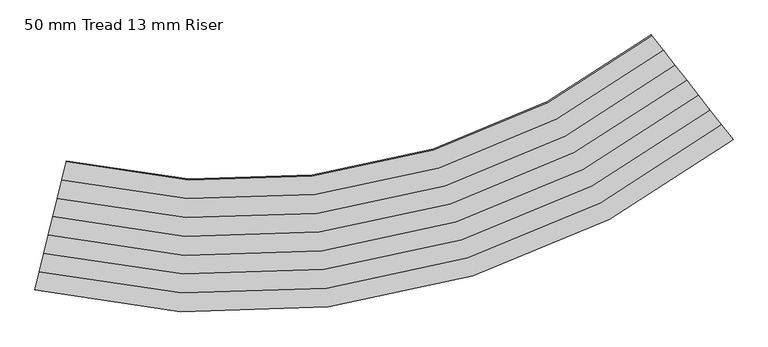
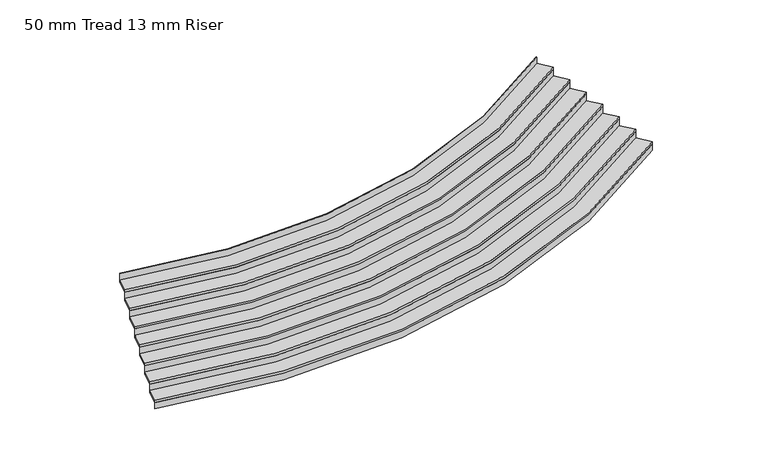
"""IFC4 building model written with IfcOpenShell, lengths in millimetres: stair flight geometry, 50 mm Tread 13 mm Riser."""

from ifc_helpers import new_model, si_unit, point, frame, frame_2d, origin, origin_with_axes, place, context, project, spatial, polyline, circle_curve, trimmed, segment, composite_curve, outline, extrude, source, transform, mapped, element, save


def stair_flight_50_mm_tread_13_mm_riser_30654782(model_context):
    return source(origin(), model_context, "Body", "SweptSolid", [
        extrude(outline(composite_curve([segment(trimmed(circle_curve(frame_2d((1244.5288083, -101961.3030117)), 12991.033039), [point((-1824.2732576, -114584.6699675))], [point((9243.9544955, -112197.3241184))], True, "CARTESIAN"), True, "CONTINUOUS"), segment(polyline([(9243.9544955, -112197.3241184), (9251.6515601, -112207.17324)]), True, "CONTINUOUS"), segment(trimmed(circle_curve(frame_2d((1244.5288083, -101961.3030117)), 13003.533039), [point((9251.6515601, -112207.17324))], [point((-1827.2260655, -114596.8161984))], False, "CARTESIAN"), True, "CONTINUOUS"), segment(polyline([(-1827.2260655, -114596.8161984), (-1824.2732576, -114584.6699675)]), True, "CONTINUOUS")], self_intersect=False)), origin_with_axes(), (0.0, 0.0, 1.0), 127.7777778),
        extrude(outline(composite_curve([segment(trimmed(circle_curve(frame_2d((1244.5288083, -101961.3030117)), 12703.533039), [point((-1756.3586744, -114305.3066568))], [point((9066.9220087, -111970.7943221))], True, "CARTESIAN"), True, "CONTINUOUS"), segment(polyline([(9066.9220087, -111970.7943221), (9251.6515601, -112207.17324)]), True, "CONTINUOUS"), segment(trimmed(circle_curve(frame_2d((1244.5288083, -101961.3030117)), 13003.533039), [point((9251.6515601, -112207.17324))], [point((-1827.2260655, -114596.8161984))], False, "CARTESIAN"), True, "CONTINUOUS"), segment(polyline([(-1827.2260655, -114596.8161984), (-1756.3586744, -114305.3066568)]), True, "CONTINUOUS")], self_intersect=False)), frame((0.0, 0.0, 127.7777778), z_axis=(0.0, 0.0, 1.0), x_axis=(1.0, 0.0, 0.0)), (0.0, 0.0, 1.0), 50.0),
        extrude(outline(composite_curve([segment(trimmed(circle_curve(frame_2d((1244.5288083, -101961.3030117)), 12691.033039), [point((-1753.4058664, -114293.1604259))], [point((9059.224944, -111960.9452005))], True, "CARTESIAN"), True, "CONTINUOUS"), segment(polyline([(9059.224944, -111960.9452005), (9066.9220087, -111970.7943221)]), True, "CONTINUOUS"), segment(trimmed(circle_curve(frame_2d((1244.5288083, -101961.3030117)), 12703.533039), [point((9066.9220087, -111970.7943221))], [point((-1756.3586744, -114305.3066568))], False, "CARTESIAN"), True, "CONTINUOUS"), segment(polyline([(-1756.3586744, -114305.3066568), (-1753.4058664, -114293.1604259)]), True, "CONTINUOUS")], self_intersect=False)), frame((0.0, 0.0, 127.7777778), z_axis=(0.0, 0.0, 1.0), x_axis=(1.0, 0.0, 0.0)), (0.0, 0.0, 1.0), 177.7777778),
        extrude(outline(composite_curve([segment(trimmed(circle_curve(frame_2d((1244.5288083, -101961.3030117)), 12403.533039), [point((-1685.4912832, -114013.7971151))], [point((8882.1924572, -111734.4154042))], True, "CARTESIAN"), True, "CONTINUOUS"), segment(polyline([(8882.1924572, -111734.4154042), (9066.9220087, -111970.7943221)]), True, "CONTINUOUS"), segment(trimmed(circle_curve(frame_2d((1244.5288083, -101961.3030117)), 12703.533039), [point((9066.9220087, -111970.7943221))], [point((-1756.3586744, -114305.3066568))], False, "CARTESIAN"), True, "CONTINUOUS"), segment(polyline([(-1756.3586744, -114305.3066568), (-1685.4912832, -114013.7971151)]), True, "CONTINUOUS")], self_intersect=False)), frame((0.0, 0.0, 305.5555556), z_axis=(0.0, 0.0, 1.0), x_axis=(1.0, 0.0, 0.0)), (0.0, 0.0, 1.0), 50.0),
        extrude(outline(composite_curve([segment(trimmed(circle_curve(frame_2d((1244.5288083, -101961.3030117)), 12391.033039), [point((-1682.5384753, -114001.6508842))], [point((8874.4953926, -111724.5662826))], True, "CARTESIAN"), True, "CONTINUOUS"), segment(polyline([(8874.4953926, -111724.5662826), (8882.1924572, -111734.4154042)]), True, "CONTINUOUS"), segment(trimmed(circle_curve(frame_2d((1244.5288083, -101961.3030117)), 12403.533039), [point((8882.1924572, -111734.4154042))], [point((-1685.4912832, -114013.7971151))], False, "CARTESIAN"), True, "CONTINUOUS"), segment(polyline([(-1685.4912832, -114013.7971151), (-1682.5384753, -114001.6508842)]), True, "CONTINUOUS")], self_intersect=False)), frame((0.0, 0.0, 305.5555556), z_axis=(0.0, 0.0, 1.0), x_axis=(1.0, 0.0, 0.0)), (0.0, 0.0, 1.0), 177.7777778),
        extrude(outline(composite_curve([segment(trimmed(circle_curve(frame_2d((1244.5288083, -101961.3030117)), 12103.533039), [point((-1614.6238921, -113722.2875735))], [point((8697.4629058, -111498.0364863))], True, "CARTESIAN"), True, "CONTINUOUS"), segment(polyline([(8697.4629058, -111498.0364863), (8882.1924572, -111734.4154042)]), True, "CONTINUOUS"), segment(trimmed(circle_curve(frame_2d((1244.5288083, -101961.3030117)), 12403.533039), [point((8882.1924572, -111734.4154042))], [point((-1685.4912832, -114013.7971151))], False, "CARTESIAN"), True, "CONTINUOUS"), segment(polyline([(-1685.4912832, -114013.7971151), (-1614.6238921, -113722.2875735)]), True, "CONTINUOUS")], self_intersect=False)), frame((0.0, 0.0, 483.3333333), z_axis=(0.0, 0.0, 1.0), x_axis=(1.0, 0.0, 0.0)), (0.0, 0.0, 1.0), 50.0),
        extrude(outline(composite_curve([segment(trimmed(circle_curve(frame_2d((1244.5288083, -101961.3030117)), 12091.033039), [point((-1611.6710841, -113710.1413426))], [point((8689.7658411, -111488.1873648))], True, "CARTESIAN"), True, "CONTINUOUS"), segment(polyline([(8689.7658411, -111488.1873648), (8697.4629058, -111498.0364863)]), True, "CONTINUOUS"), segment(trimmed(circle_curve(frame_2d((1244.5288083, -101961.3030117)), 12103.533039), [point((8697.4629058, -111498.0364863))], [point((-1614.6238921, -113722.2875735))], False, "CARTESIAN"), True, "CONTINUOUS"), segment(polyline([(-1614.6238921, -113722.2875735), (-1611.6710841, -113710.1413426)]), True, "CONTINUOUS")], self_intersect=False)), frame((0.0, 0.0, 483.3333333), z_axis=(0.0, 0.0, 1.0), x_axis=(1.0, 0.0, 0.0)), (0.0, 0.0, 1.0), 177.7777778),
        extrude(outline(composite_curve([segment(trimmed(circle_curve(frame_2d((1244.5288083, -101961.3030117)), 11803.533039), [point((-1543.7565009, -113430.7780319))], [point((8512.7333543, -111261.6575684))], True, "CARTESIAN"), True, "CONTINUOUS"), segment(polyline([(8512.7333543, -111261.6575684), (8697.4629058, -111498.0364863)]), True, "CONTINUOUS"), segment(trimmed(circle_curve(frame_2d((1244.5288083, -101961.3030117)), 12103.533039), [point((8697.4629058, -111498.0364863))], [point((-1614.6238921, -113722.2875735))], False, "CARTESIAN"), True, "CONTINUOUS"), segment(polyline([(-1614.6238921, -113722.2875735), (-1543.7565009, -113430.7780319)]), True, "CONTINUOUS")], self_intersect=False)), frame((0.0, 0.0, 661.1111111), z_axis=(0.0, 0.0, 1.0), x_axis=(1.0, 0.0, 0.0)), (0.0, 0.0, 1.0), 50.0),
        extrude(outline(composite_curve([segment(trimmed(circle_curve(frame_2d((1244.5288083, -101961.3030117)), 11791.033039), [point((-1540.803693, -113418.6318009))], [point((8505.0362897, -111251.8084469))], True, "CARTESIAN"), True, "CONTINUOUS"), segment(polyline([(8505.0362897, -111251.8084469), (8512.7333543, -111261.6575684)]), True, "CONTINUOUS"), segment(trimmed(circle_curve(frame_2d((1244.5288083, -101961.3030117)), 11803.533039), [point((8512.7333543, -111261.6575684))], [point((-1543.7565009, -113430.7780319))], False, "CARTESIAN"), True, "CONTINUOUS"), segment(polyline([(-1543.7565009, -113430.7780319), (-1540.803693, -113418.6318009)]), True, "CONTINUOUS")], self_intersect=False)), frame((0.0, 0.0, 661.1111111), z_axis=(0.0, 0.0, 1.0), x_axis=(1.0, 0.0, 0.0)), (0.0, 0.0, 1.0), 177.7777778),
        extrude(outline(composite_curve([segment(trimmed(circle_curve(frame_2d((1244.5288083, -101961.3030117)), 11503.533039), [point((-1472.8891098, -113139.2684902))], [point((8328.0038029, -111025.2786506))], True, "CARTESIAN"), True, "CONTINUOUS"), segment(polyline([(8328.0038029, -111025.2786506), (8512.7333543, -111261.6575684)]), True, "CONTINUOUS"), segment(trimmed(circle_curve(frame_2d((1244.5288083, -101961.3030117)), 11803.533039), [point((8512.7333543, -111261.6575684))], [point((-1543.7565009, -113430.7780319))], False, "CARTESIAN"), True, "CONTINUOUS"), segment(polyline([(-1543.7565009, -113430.7780319), (-1472.8891098, -113139.2684902)]), True, "CONTINUOUS")], self_intersect=False)), frame((0.0, 0.0, 838.8888889), z_axis=(0.0, 0.0, 1.0), x_axis=(1.0, 0.0, 0.0)), (0.0, 0.0, 1.0), 50.0),
        extrude(outline(composite_curve([segment(trimmed(circle_curve(frame_2d((1244.5288083, -101961.3030117)), 11491.033039), [point((-1469.9363018, -113127.1222593))], [point((8320.3067382, -111015.429529))], True, "CARTESIAN"), True, "CONTINUOUS"), segment(polyline([(8320.3067382, -111015.429529), (8328.0038029, -111025.2786506)]), True, "CONTINUOUS"), segment(trimmed(circle_curve(frame_2d((1244.5288083, -101961.3030117)), 11503.533039), [point((8328.0038029, -111025.2786506))], [point((-1472.8891098, -113139.2684902))], False, "CARTESIAN"), True, "CONTINUOUS"), segment(polyline([(-1472.8891098, -113139.2684902), (-1469.9363018, -113127.1222593)]), True, "CONTINUOUS")], self_intersect=False)), frame((0.0, 0.0, 838.8888889), z_axis=(0.0, 0.0, 1.0), x_axis=(1.0, 0.0, 0.0)), (0.0, 0.0, 1.0), 177.7777778),
        extrude(outline(composite_curve([segment(trimmed(circle_curve(frame_2d((1244.5288083, -101961.3030117)), 11203.533039), [point((-1402.0217186, -112847.7589486))], [point((8143.2742514, -110788.8997327))], True, "CARTESIAN"), True, "CONTINUOUS"), segment(polyline([(8143.2742514, -110788.8997327), (8328.0038029, -111025.2786506)]), True, "CONTINUOUS"), segment(trimmed(circle_curve(frame_2d((1244.5288083, -101961.3030117)), 11503.533039), [point((8328.0038029, -111025.2786506))], [point((-1472.8891098, -113139.2684902))], False, "CARTESIAN"), True, "CONTINUOUS"), segment(polyline([(-1472.8891098, -113139.2684902), (-1402.0217186, -112847.7589486)]), True, "CONTINUOUS")], self_intersect=False)), frame((0.0, 0.0, 1016.6666667), z_axis=(0.0, 0.0, 1.0), x_axis=(1.0, 0.0, 0.0)), (0.0, 0.0, 1.0), 50.0),
        extrude(outline(composite_curve([segment(trimmed(circle_curve(frame_2d((1244.5288083, -101961.3030117)), 11191.033039), [point((-1399.0689107, -112835.6127177))], [point((8135.5771868, -110779.0506111))], True, "CARTESIAN"), True, "CONTINUOUS"), segment(polyline([(8135.5771868, -110779.0506111), (8143.2742514, -110788.8997327)]), True, "CONTINUOUS"), segment(trimmed(circle_curve(frame_2d((1244.5288083, -101961.3030117)), 11203.533039), [point((8143.2742514, -110788.8997327))], [point((-1402.0217186, -112847.7589486))], False, "CARTESIAN"), True, "CONTINUOUS"), segment(polyline([(-1402.0217186, -112847.7589486), (-1399.0689107, -112835.6127177)]), True, "CONTINUOUS")], self_intersect=False)), frame((0.0, 0.0, 1016.6666667), z_axis=(0.0, 0.0, 1.0), x_axis=(1.0, 0.0, 0.0)), (0.0, 0.0, 1.0), 177.7777778),
        extrude(outline(composite_curve([segment(trimmed(circle_curve(frame_2d((1244.5288083, -101961.3030117)), 10891.033039), [point((-1328.2015195, -112544.103176))], [point((7950.8476353, -110542.6716932))], True, "CARTESIAN"), True, "CONTINUOUS"), segment(polyline([(7950.8476353, -110542.6716932), (7958.5447, -110552.5208148)]), True, "CONTINUOUS"), segment(trimmed(circle_curve(frame_2d((1244.5288083, -101961.3030117)), 10903.533039), [point((7958.5447, -110552.5208148))], [point((-1331.1543275, -112556.2494069))], False, "CARTESIAN"), True, "CONTINUOUS"), segment(polyline([(-1331.1543275, -112556.2494069), (-1328.2015195, -112544.103176)]), True, "CONTINUOUS")], self_intersect=False)), frame((0.0, 0.0, 1194.4444444), z_axis=(0.0, 0.0, 1.0), x_axis=(1.0, 0.0, 0.0)), (0.0, 0.0, 1.0), 177.7777778),
        extrude(outline(composite_curve([segment(trimmed(circle_curve(frame_2d((1244.5288083, -101961.3030117)), 10903.533039), [point((-1331.1543275, -112556.2494069))], [point((7958.5447, -110552.5208148))], True, "CARTESIAN"), True, "CONTINUOUS"), segment(polyline([(7958.5447, -110552.5208148), (8143.2742514, -110788.8997327)]), True, "CONTINUOUS"), segment(trimmed(circle_curve(frame_2d((1244.5288083, -101961.3030117)), 11203.533039), [point((8143.2742514, -110788.8997327))], [point((-1402.0217186, -112847.7589486))], False, "CARTESIAN"), True, "CONTINUOUS"), segment(polyline([(-1402.0217186, -112847.7589486), (-1331.1543275, -112556.2494069)]), True, "CONTINUOUS")], self_intersect=False)), frame((0.0, 0.0, 1194.4444444), z_axis=(0.0, 0.0, 1.0), x_axis=(1.0, 0.0, 0.0)), (0.0, 0.0, 1.0), 50.0),
    ])


if __name__ == "__main__":
    model = new_model("IFC4")
    model_context = context("Model", 3, world=origin())
    ifc_project = project(units=[si_unit("LENGTHUNIT", "METRE", prefix="MILLI")], contexts=[model_context])
    site = spatial("IfcSite", under=ifc_project)
    building = spatial("IfcBuilding", under=site)
    placement = place(None, origin())
    stair_flight_50_mm_tread_13_mm_riser_shape = stair_flight_50_mm_tread_13_mm_riser_30654782(model_context)
    element("IfcStairFlight", 1, ObjectType="50 mm Tread 13 mm Riser", at=placement, inside=building, context=model_context, shape_type="MappedRepresentation", body=[
        mapped(stair_flight_50_mm_tread_13_mm_riser_shape, transform((0.0, 0.0, 0.0), x_axis=(1.0, 0.0, 0.0), y_axis=(0.0, 1.0, 0.0), z_axis=(0.0, 0.0, 1.0))),
    ])
    save(model, "model.ifc")
